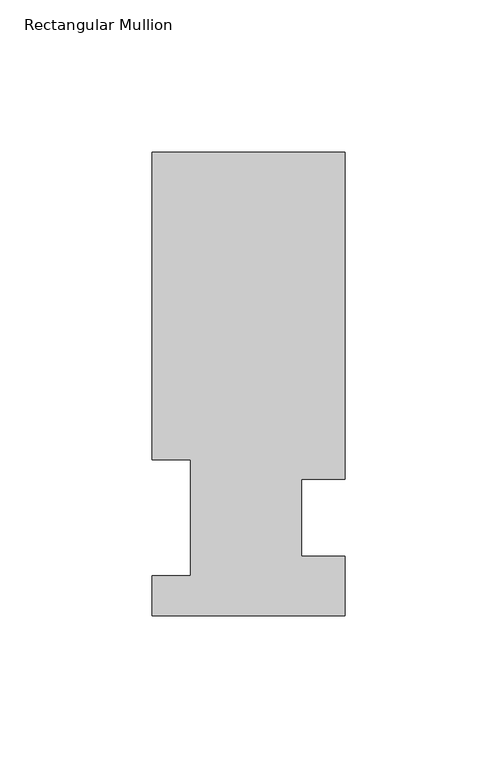
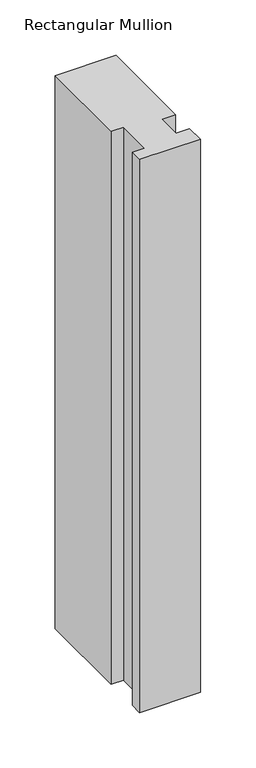
"""IFC4 building model written with IfcOpenShell, lengths in millimetres: member geometry, Rectangular Mullion."""

import ifcopenshell
import ifcopenshell.guid

model = None  # the IFC model being written
_history = None  # IfcOwnerHistory: only IFC2X3 demands one
_inside = {}  # id of a spatial element -> (the spatial element, [elements in it])
_under = {}  # id of a project, library or spatial element -> (it, [spatial elements below it])
_declared = {}  # id of a project -> (the project, [libraries it declares])
_typed = {}  # id of a type object -> (the type object, [elements of that type])
_made_of = {}  # id of a material, layer set ... -> (it, [elements and type objects made of it])


def new_model(schema):
    """Start an empty IFC model of exactly this schema.

    Asked for "IFC4X3", IfcOpenShell would pick the latest addendum, in which some entities
    have other attributes; the version numbers below select the first issue.
    IFC2X3 requires an IfcOwnerHistory on every rooted entity: one is made here for all.
    """
    global model, _history
    if schema == "IFC4X3":
        model = ifcopenshell.file(schema_version=(4, 3, 0, 0))
    else:
        model = ifcopenshell.file(schema=schema)
    _inside.clear()
    _under.clear()
    _declared.clear()
    _typed.clear()
    _made_of.clear()
    _history = None
    if model.schema == "IFC2X3":
        org = make("IfcOrganization", Name="unknown")
        user = make(
            "IfcPersonAndOrganization",
            ThePerson=make("IfcPerson", FamilyName="unknown"),
            TheOrganization=org,
        )
        app = make(
            "IfcApplication",
            ApplicationDeveloper=org,
            Version="unknown",
            ApplicationFullName="unknown",
            ApplicationIdentifier="unknown",
        )
        _history = make(
            "IfcOwnerHistory",
            OwningUser=user,
            OwningApplication=app,
            ChangeAction="ADDED",
            CreationDate=0,
        )
    return model


def make(cls, **values):
    """One entity of the class cls with the attributes given. An attribute that is None is left unset."""
    return model.create_entity(
        cls, **{name: value for name, value in values.items() if value is not None}
    )


def rooted(cls, **values):
    """An entity with a GlobalId (a new one), such as an element, a storey or a relation."""
    return make(cls, GlobalId=ifcopenshell.guid.new(), OwnerHistory=_history, **values)


def si_unit(unit_type, name, prefix=None):
    """IfcSIUnit, for example si_unit("LENGTHUNIT", "METRE", prefix="MILLI")."""
    return make("IfcSIUnit", UnitType=unit_type, Prefix=prefix, Name=name)


def assignment(units):
    """IfcUnitAssignment: the units of a project."""
    return None if units is None else make("IfcUnitAssignment", Units=units)


def point(xyz):
    """IfcCartesianPoint."""
    return None if xyz is None else make("IfcCartesianPoint", Coordinates=xyz)


def direction(xyz):
    """IfcDirection."""
    return None if xyz is None else make("IfcDirection", DirectionRatios=xyz)


def frame(location, z_axis=None, x_axis=None):
    """IfcAxis2Placement3D, a coordinate frame: its origin and axes. An axis left out is left unset."""
    return make(
        "IfcAxis2Placement3D",
        Location=point(location),
        Axis=direction(z_axis),
        RefDirection=direction(x_axis),
    )


def origin():
    """The frame at (0, 0, 0) with its axes left unset."""
    return frame((0.0, 0.0, 0.0))


def place(relative_to, where):
    """IfcLocalPlacement: puts the frame where relative to a parent placement (None: the world)."""
    return make(
        "IfcLocalPlacement", PlacementRelTo=relative_to, RelativePlacement=where
    )


def context(
    kind, dimensions, precision=None, world=None, true_north=None, identifier=None
):
    """IfcGeometricRepresentationContext, for example the 3D "Model" context."""
    return make(
        "IfcGeometricRepresentationContext",
        ContextIdentifier=identifier,
        ContextType=kind,
        CoordinateSpaceDimension=dimensions,
        Precision=precision,
        WorldCoordinateSystem=world,
        TrueNorth=true_north,
    )


def project(units=None, contexts=None):
    """IfcProject with its units and contexts."""
    return rooted(
        "IfcProject",
        Name="project",
        RepresentationContexts=contexts,
        UnitsInContext=assignment(units),
    )


def spatial(cls, under=None, at=None, **own):
    """A site, building, storey or space (cls), placed at a placement, below another one or the project."""
    s = rooted(cls, ObjectPlacement=at, **own)
    if under is not None:
        _under.setdefault(under.id(), (under, []))[1].append(s)
    return s


def polyline(points):
    """IfcPolyline through the points."""
    return make("IfcPolyline", Points=[point(p) for p in points])


def outline(outer, holes=None, kind="AREA"):
    """IfcArbitraryClosedProfileDef: a profile drawn as a closed curve; with holes, ...WithVoids."""
    if holes is None:
        return make("IfcArbitraryClosedProfileDef", ProfileType=kind, OuterCurve=outer)
    return make(
        "IfcArbitraryProfileDefWithVoids",
        ProfileType=kind,
        OuterCurve=outer,
        InnerCurves=holes,
    )


def extrude(swept, where, along, depth):
    """IfcExtrudedAreaSolid: the profile swept, set in the frame where, extruded along a direction by depth."""
    return make(
        "IfcExtrudedAreaSolid",
        SweptArea=swept,
        Position=where,
        ExtrudedDirection=direction(along),
        Depth=depth,
    )


def shape(context_of_items, identifier, shape_type, items):
    """IfcShapeRepresentation: the items that make up one representation, for example the "Body"."""
    return make(
        "IfcShapeRepresentation",
        ContextOfItems=context_of_items,
        RepresentationIdentifier=identifier,
        RepresentationType=shape_type,
        Items=items,
    )


def source(mapping_origin, context_of_items, identifier, shape_type, items):
    """IfcRepresentationMap: a shape defined once, which mapped items show again and again."""
    return make(
        "IfcRepresentationMap",
        MappingOrigin=mapping_origin,
        MappedRepresentation=shape(context_of_items, identifier, shape_type, items),
    )


def transform(
    local_origin,
    x_axis=None,
    y_axis=None,
    z_axis=None,
    scale=None,
    scale2=None,
    scale3=None,
    uniform=True,
):
    """IfcCartesianTransformationOperator3D, or its non-uniform kind. x_axis, y_axis, z_axis: its Axis1, 2, 3."""
    if uniform:
        return make(
            "IfcCartesianTransformationOperator3D",
            Axis1=direction(x_axis),
            Axis2=direction(y_axis),
            LocalOrigin=point(local_origin),
            Scale=scale,
            Axis3=direction(z_axis),
        )
    return make(
        "IfcCartesianTransformationOperator3DnonUniform",
        Axis1=direction(x_axis),
        Axis2=direction(y_axis),
        LocalOrigin=point(local_origin),
        Scale=scale,
        Axis3=direction(z_axis),
        Scale2=scale2,
        Scale3=scale3,
    )


def mapped(mapping_source, mapping_target):
    """IfcMappedItem: shows the shape of a source again, moved by a transform."""
    return make(
        "IfcMappedItem", MappingSource=mapping_source, MappingTarget=mapping_target
    )


def made_of(thing, what):
    """Note that an element or type object is made of a material, layer set ...; save() writes the relation."""
    if what is not None:
        _made_of.setdefault(what.id(), (what, []))[1].append(thing)
    return thing


def element(
    cls,
    number,
    at=None,
    inside=None,
    cuts=None,
    type_object=None,
    material=None,
    context=None,
    identifier="Body",
    shape_type=None,
    held_by="IfcProductDefinitionShape",
    body=None,
    shapes=None,
    **own,
):
    """One element of the class cls, such as IfcWall. Its Tag is "e" and its number.

    at: its placement. inside: the storey or other place that contains it. cuts: it is an
    opening in that element (IfcRelVoidsElement). A single representation is given by context,
    identifier, shape_type and body (its items); several are given by shapes. held_by: the class
    of the entity that holds the representations. save() writes the other relations.
    """
    e = rooted(cls, Tag="e%d" % number, ObjectPlacement=at, **own)
    if body is not None:
        shapes = [shape(context, identifier, shape_type, body)]
    if shapes is not None:
        e.Representation = make(held_by, Representations=shapes)
    if inside is not None:
        _inside.setdefault(inside.id(), (inside, []))[1].append(e)
    if cuts is not None:
        rooted(
            "IfcRelVoidsElement", RelatingBuildingElement=cuts, RelatedOpeningElement=e
        )
    if type_object is not None:
        _typed.setdefault(type_object.id(), (type_object, []))[1].append(e)
    return made_of(e, material)


def aggregate(whole, parts):
    """IfcRelAggregates: a whole, such as a stair, and the parts it consists of."""
    return rooted("IfcRelAggregates", RelatingObject=whole, RelatedObjects=parts)


def save(model, path):
    """Write the relations noted so far, then the file.

    IfcRelAggregates (storeys below a building ...), IfcRelContainedInSpatialStructure (elements
    in a storey), IfcRelDefinesByType, IfcRelAssociatesMaterial and IfcRelDeclares: one each for
    every whole, place, type object, material and project.
    """
    for whole, parts in _under.values():
        aggregate(whole, parts)
    for where, things in _inside.values():
        rooted(
            "IfcRelContainedInSpatialStructure",
            RelatedElements=things,
            RelatingStructure=where,
        )
    for kind, things in _typed.values():
        rooted("IfcRelDefinesByType", RelatedObjects=things, RelatingType=kind)
    for what, things in _made_of.values():
        rooted("IfcRelAssociatesMaterial", RelatedObjects=things, RelatingMaterial=what)
    for by, libraries in _declared.values():
        rooted("IfcRelDeclares", RelatingContext=by, RelatedDefinitions=libraries)
    model.write(path)


def rectangular_mullion_eadd655b(model_context):
    return source(origin(), model_context, "Body", "SweptSolid", [
        extrude(outline(polyline([(0.0, 44.9460937), (-14.2875, 44.9460937), (-14.2875, 19.5460937), (0.0, 19.5460937), (0.0, 0.0134937), (-63.5, 0.0134937), (-63.5, 13.1960937), (-50.8127, 13.1960937), (-50.8127, 51.2960938), (-63.5, 51.2960938), (-63.5, 152.4896937), (0.0, 152.4896937), (0.0, 44.9460937)])), frame((0.0, 0.0, -609.6), z_axis=(0.0, 0.0, 1.0), x_axis=(1.0, 0.0, 0.0)), (0.0, 0.0, 1.0), 609.6),
    ])


if __name__ == "__main__":
    model = new_model("IFC4")
    model_context = context("Model", 3, world=origin())
    ifc_project = project(units=[si_unit("LENGTHUNIT", "METRE", prefix="MILLI")], contexts=[model_context])
    site = spatial("IfcSite", under=ifc_project)
    building = spatial("IfcBuilding", under=site)
    placement = place(None, origin())
    rectangular_mullion_shape = rectangular_mullion_eadd655b(model_context)
    element("IfcMember", 1, ObjectType="Rectangular Mullion", at=placement, inside=building, context=model_context, shape_type="MappedRepresentation", body=[
        mapped(rectangular_mullion_shape, transform((0.0, 0.0, 0.0), x_axis=(1.0, 0.0, 0.0), y_axis=(0.0, 1.0, 0.0), z_axis=(0.0, 0.0, 1.0))),
    ])
    save(model, "model.ifc")
